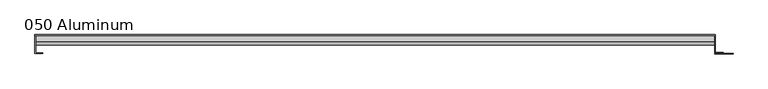
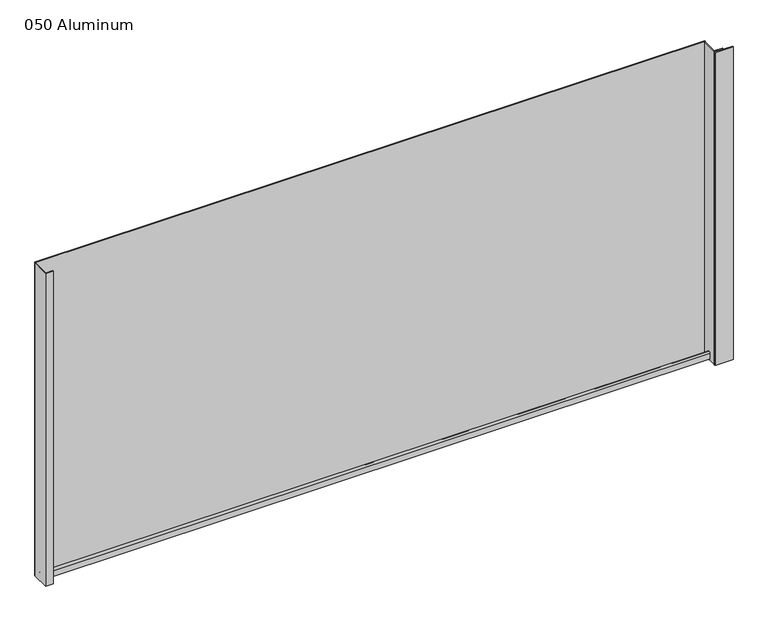
"""IFC4 building model written with IfcOpenShell, lengths in millimetres: plate geometry, 050 Aluminum."""

from ifc_helpers import new_model, si_unit, point, frame, frame_2d, origin, origin_with_axes, place, context, project, spatial, polyline, circle_curve, trimmed, segment, composite_curve, outline, extrude, source, transform, mapped, element, save


def plate_050_aluminum_64247ae9(model_context):
    return source(origin(), model_context, "Body", "SweptSolid", [
        extrude(outline(polyline([(-633.2008333, 2.5660257), (-620.3103328, 2.5660257), (-620.3103328, 1.2699999), (-634.4708333, 1.2699999), (-634.4708333, 34.7980001), (-633.2008333, 34.7980001), (-633.2008333, 2.5660257)])), origin_with_axes(), (0.0, 0.0, 1.0), 621.03),
        extrude(outline(composite_curve([segment(trimmed(circle_curve(frame_2d((19.8514743, 13.124237)), 3.175), [point((16.6765477, 13.1458337))], [point((23.0264743, 13.124237))], False, "CARTESIAN"), True, "CONTINUOUS"), segment(polyline([(23.0264743, 13.124237), (23.0264743, 1.2693678), (34.7980002, 1.2693678), (34.7980002, 0.0), (21.7564743, 0.0), (21.7564743, 13.124237)]), True, "CONTINUOUS"), segment(trimmed(circle_curve(frame_2d((19.8514743, 13.124237)), 1.905), [point((21.7564743, 13.124237))], [point((17.9464915, 13.1323356))], True, "CARTESIAN"), True, "CONTINUOUS"), segment(polyline([(17.9464915, 13.1323356), (17.9464915, 2.786437), (16.6765477, 2.786437), (16.6765477, 13.1458337)]), True, "CONTINUOUS")], self_intersect=False)), frame((-633.2008333, 0.0, 0.0), z_axis=(1.0, 0.0, 0.0), x_axis=(0.0, 1.0, 0.0)), (0.0, 0.0, 1.0), 1253.7016667),
        extrude(outline(polyline([(-634.4708333, 36.068), (621.7708333, 36.068), (621.7708333, 34.7980001), (-634.4708333, 34.7980001), (-634.4708333, 36.068)])), origin_with_axes(), (0.0, 0.0, 1.0), 622.3),
        extrude(outline(polyline([(621.7708333, 1.2699999), (654.282919, 1.2699999), (654.282919, 0.0), (620.5008334, 0.0), (620.5008334, 34.7980002), (621.7708333, 34.7980002), (621.7708333, 1.2699999)])), origin_with_axes(), (0.0, 0.0, 1.0), 621.03),
        extrude(outline(polyline([(620.5008333, 3.3274743), (636.2488332, 3.3274743), (636.2488332, 2.0574743), (620.5008333, 2.0574743), (620.5008333, 3.3274743)])), origin_with_axes(), (0.0, 0.0, 1.0), 622.3),
    ])


if __name__ == "__main__":
    model = new_model("IFC4")
    model_context = context("Model", 3, world=origin())
    ifc_project = project(units=[si_unit("LENGTHUNIT", "METRE", prefix="MILLI")], contexts=[model_context])
    site = spatial("IfcSite", under=ifc_project)
    building = spatial("IfcBuilding", under=site)
    placement = place(None, origin())
    plate_050_aluminum_shape = plate_050_aluminum_64247ae9(model_context)
    element("IfcPlate", 1, ObjectType="050 Aluminum", at=placement, inside=building, context=model_context, shape_type="MappedRepresentation", body=[
        mapped(plate_050_aluminum_shape, transform((0.0, 0.0, 0.0), x_axis=(1.0, 0.0, 0.0), y_axis=(0.0, 1.0, 0.0), z_axis=(0.0, 0.0, 1.0))),
    ])
    save(model, "model.ifc")
